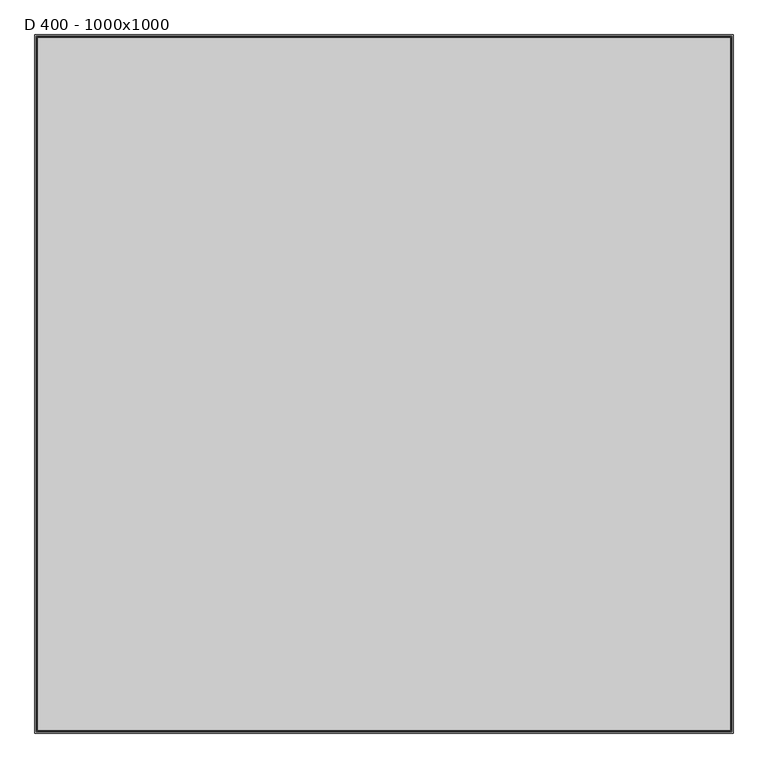
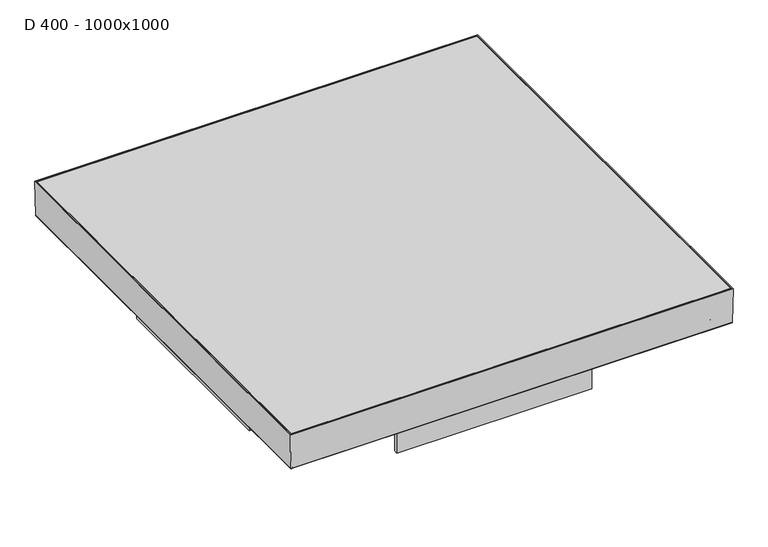
"""IFC4 building model written with IfcOpenShell, lengths in millimetres: proxy geometry, D 400 - 1000x1000."""

from ifc_helpers import new_model, si_unit, frame, origin, place, context, project, spatial, polyline, ellipse_curve, outline, extrude, faceted_brep, source, transform, mapped, element, save
from ifc_brep_helpers import plane_surface, cylinder_surface, revolved_surface, advanced_brep


def d_400_1000x1000_d10640b0(model_context):
    return source(origin(), model_context, "Body", "SolidModel", [
        extrude(outline(polyline([(563.9987812, 563.9987812), (563.9987812, -563.9987812), (-563.9987812, -563.9987812), (-563.9987812, 563.9987812), (563.9987812, 563.9987812)])), frame((0.0, 0.0, -5.0), z_axis=(0.0, 0.0, 1.0), x_axis=(1.0, 0.0, 0.0)), (0.0, 0.0, 1.0), 5.0),
        faceted_brep([(559.8786863, 559.8786863, -77.9987834), (-559.8786863, 559.8786863, -77.9987834), (-559.8786863, -559.8786863, -77.9987834), (559.8786863, -559.8786863, -77.9987834), (561.8100297, 561.8100297, -80.0), (561.8100297, -561.8100297, -80.0), (-561.8100297, -561.8100297, -80.0), (-561.8100297, 561.8100297, -80.0), (566.0, 566.0, 0.0), (566.0, -566.0, 0.0), (-566.0, -566.0, 0.0), (-566.0, 566.0, 0.0), (563.9987812, -563.9987812, 0.0), (563.9987812, 563.9987812, 0.0), (-563.9987812, -563.9987812, 0.0), (-563.9987812, 563.9987812, 0.0)], [[[0, 1, 2, 3]], [[4, 5, 6, 7]], [[4, 8, 9, 5]], [[5, 9, 10, 6]], [[6, 10, 11, 7]], [[8, 4, 7, 11]], [[0, 3, 12, 13]], [[3, 2, 14, 12]], [[2, 1, 15, 14]], [[1, 0, 13, 15]], [[9, 8, 11, 10], [13, 12, 14, 15]]]),
        extrude(outline(polyline([(-490.0, 250.0), (-480.0, 250.0), (-480.0, 5.0), (480.0, 5.0), (480.0, 250.0), (490.0, 250.0), (490.0, -250.0), (480.0, -250.0), (480.0, -5.0), (-480.0, -5.0), (-480.0, -250.0), (-490.0, -250.0), (-490.0, 250.0)])), frame((0.0, 0.0, -207.0), z_axis=(0.0, 0.0, 1.0), x_axis=(1.0, 0.0, 0.0)), (0.0, 0.0, 1.0), 103.0),
        extrude(outline(polyline([(250.0, 490.0), (250.0, 480.0), (5.0, 480.0), (5.0, -480.0), (250.0, -480.0), (250.0, -490.0), (-250.0, -490.0), (-250.0, -480.0), (-5.0, -480.0), (-5.0, 480.0), (-250.0, 480.0), (-250.0, 490.0), (250.0, 490.0)])), frame((0.0, 0.0, -207.0), z_axis=(0.0, 0.0, 1.0), x_axis=(1.0, 0.0, 0.0)), (0.0, 0.0, 1.0), 103.0),
        advanced_brep(
        [(565.0603915, 565.0603915, -93.0), (566.3814929, 566.3814929, -91.7973005), (566.3814929, -566.3814929, -91.7973005), (565.0603915, -565.0603915, -93.0), (532.491936, 532.491936, -93.5068236), (533.3495131, 533.3495131, -93.0), (533.3495131, -533.3495131, -93.0), (532.491936, -532.491936, -93.5068236), (522.5430631, 522.5430631, -103.4568727), (522.5430631, -522.5430631, -103.4568727), (521.5631773, 521.5631773, -104.0), (521.5631773, -521.5631773, -104.0), (500.0, 500.0, -102.0), (502.0, 502.0, -104.0), (502.0, -502.0, -104.0), (500.0, -500.0, -102.0), (500.0, 500.0, -91.0), (500.0, -500.0, -91.0), (502.0, 502.0, -91.0), (502.0, -502.0, -91.0), (502.0, -502.0, -100.1412819), (502.0, 502.0, -100.1412819), (503.5596496, 503.5596496, -102.0), (503.5596496, -503.5596496, -102.0), (521.6238392, 521.6238392, -101.5476755), (520.8710448, 520.8710448, -102.0), (520.8710448, -520.8710448, -102.0), (521.6238392, -521.6238392, -101.5476755), (531.7056833, 531.7056833, -91.4646396), (531.7056833, -531.7056833, -91.4646396), (532.6109139, 532.6109139, -90.9987834), (532.6109139, -532.6109139, -90.9987834), (564.414412, 564.414412, -89.9085487), (563.2898686, 563.2898686, -90.9987834), (563.2898686, -563.2898686, -90.9987834), (564.414412, -564.414412, -89.9085487), (565.9987388, 565.9987388, 0.0), (565.9987388, -565.9987388, 0.0), (567.9991024, 567.9991024, 0.0), (567.9991024, -567.9991024, 0.0), (-566.3814929, -566.3814929, -91.7973005), (-565.0603915, -565.0603915, -93.0), (-533.3495131, -533.3495131, -93.0), (-532.491936, -532.491936, -93.5068236), (-522.5430631, -522.5430631, -103.4568727), (-521.5631773, -521.5631773, -104.0), (-502.0, -502.0, -104.0), (-500.0, -500.0, -102.0), (-500.0, -500.0, -91.0), (-502.0, -502.0, -91.0), (-502.0, -502.0, -100.1412819), (-503.5596496, -503.5596496, -102.0), (-520.8710448, -520.8710448, -102.0), (-521.6238392, -521.6238392, -101.5476755), (-531.7056833, -531.7056833, -91.4646396), (-532.6109139, -532.6109139, -90.9987834), (-563.2898686, -563.2898686, -90.9987834), (-564.414412, -564.414412, -89.9085487), (-565.9987388, -565.9987388, 0.0), (-567.9991024, -567.9991024, 0.0), (-566.3814929, 566.3814929, -91.7973005), (-565.0603915, 565.0603915, -93.0), (-533.3495131, 533.3495131, -93.0), (-532.491936, 532.491936, -93.5068236), (-522.5430631, 522.5430631, -103.4568727), (-521.5631773, 521.5631773, -104.0), (-502.0, 502.0, -104.0), (-500.0, 500.0, -102.0), (-500.0, 500.0, -91.0), (-502.0, 502.0, -91.0), (-502.0, 502.0, -100.1412819), (-503.5596496, 503.5596496, -102.0), (-520.8710448, 520.8710448, -102.0), (-521.6238392, 521.6238392, -101.5476755), (-531.7056833, 531.7056833, -91.4646396), (-532.6109139, 532.6109139, -90.9987834), (-563.2898686, 563.2898686, -90.9987834), (-564.414412, 564.414412, -89.9085487), (-565.9987388, 565.9987388, 0.0), (-567.9991024, 567.9991024, 0.0)],
        [
            (0, 1, ellipse_curve(frame((565.0603915, 565.0603915, -91.6730704), z_axis=(0.7071067811865475, -0.7071067811865475, 0.0), x_axis=(0.7071067811865474, 0.7071067811865476, 0.0)), 1.8765619, 1.3269296)),
            (1, 2),
            (2, 3, ellipse_curve(frame((565.0603915, -565.0603915, -91.6730704), z_axis=(0.7071067811865475, 0.7071067811865475, 0.0), x_axis=(-0.7071067811865474, 0.7071067811865476, 0.0)), 1.8765619, 1.3269296)),
            (3, 0),
            (4, 5, ellipse_curve(frame((533.9062332, 533.9062332, -94.9209536), z_axis=(-0.7071067811865475, 0.7071067811865475, 0.0), x_axis=(-0.7071067811865474, -0.7071067811865476, 0.0)), 2.8284271, 2.0)),
            (5, 6),
            (6, 7, ellipse_curve(frame((533.9062332, -533.9062332, -94.9209536), z_axis=(-0.7071067811865475, -0.7071067811865475, 0.0), x_axis=(0.7071067811865474, -0.7071067811865476, 0.0)), 2.8284271, 2.0)),
            (7, 4),
            (8, 4),
            (7, 9),
            (9, 8),
            (10, 8, ellipse_curve(frame((520.0169048, 520.0169048, -100.0547885), z_axis=(0.7071067811865475, -0.7071067811865475, 0.0), x_axis=(0.7071067811865474, 0.7071067811865476, 0.0)), 5.9926042, 4.237411)),
            (9, 11, ellipse_curve(frame((520.0169048, -520.0169048, -100.0547885), z_axis=(0.7071067811865475, 0.7071067811865475, 0.0), x_axis=(-0.7071067811865474, 0.7071067811865476, 0.0)), 5.9926042, 4.237411)),
            (11, 10),
            (12, 13, ellipse_curve(frame((503.5491099, 503.5491099, -100.4508901), z_axis=(0.7071067811865475, -0.7071067811865475, 0.0), x_axis=(0.7071067811865474, 0.7071067811865476, 0.0)), 5.4764811, 3.872457)),
            (13, 14),
            (14, 15, ellipse_curve(frame((503.5491099, -503.5491099, -100.4508901), z_axis=(0.7071067811865475, 0.7071067811865475, 0.0), x_axis=(-0.7071067811865474, 0.7071067811865476, 0.0)), 5.4764811, 3.872457)),
            (15, 12),
            (16, 12),
            (15, 17),
            (17, 16),
            (18, 19),
            (19, 20),
            (20, 21),
            (21, 18),
            (22, 21, ellipse_curve(frame((503.9978512, 503.9978512, -100.0485955), z_axis=(-0.7071067811865475, 0.7071067811865475, 0.0), x_axis=(-0.7071067811865474, -0.7071067811865476, 0.0)), 2.8284271, 2.0)),
            (20, 23, ellipse_curve(frame((503.9978512, -503.9978512, -100.0485955), z_axis=(-0.7071067811865475, -0.7071067811865475, 0.0), x_axis=(0.7071067811865474, -0.7071067811865476, 0.0)), 2.8284271, 2.0)),
            (23, 22),
            (24, 25, ellipse_curve(frame((520.2425005, 520.2425005, -100.1013342), z_axis=(-0.7071067811865475, 0.7071067811865475, 0.0), x_axis=(-0.7071067811865474, -0.7071067811865476, 0.0)), 2.8284271, 2.0)),
            (25, 26),
            (26, 27, ellipse_curve(frame((520.2425005, -520.2425005, -100.1013342), z_axis=(-0.7071067811865475, -0.7071067811865475, 0.0), x_axis=(0.7071067811865474, -0.7071067811865476, 0.0)), 2.8284271, 2.0)),
            (27, 24),
            (28, 24),
            (27, 29),
            (29, 28),
            (30, 28, ellipse_curve(frame((532.9486156, 532.9486156, -92.7674195), z_axis=(0.7071067811865475, -0.7071067811865475, 0.0), x_axis=(0.7071067811865474, 0.7071067811865476, 0.0)), 2.5464155, 1.8005877)),
            (29, 31, ellipse_curve(frame((532.9486156, -532.9486156, -92.7674195), z_axis=(0.7071067811865475, 0.7071067811865475, 0.0), x_axis=(-0.7071067811865474, 0.7071067811865476, 0.0)), 2.5464155, 1.8005877)),
            (31, 30),
            (32, 33, ellipse_curve(frame((563.125281, 563.125281, -89.7039331), z_axis=(-0.7071067811865475, 0.7071067811865475, 0.0), x_axis=(-0.7071067811865474, -0.7071067811865476, 0.0)), 1.8459287, 1.3052687)),
            (33, 34),
            (34, 35, ellipse_curve(frame((563.125281, -563.125281, -89.7039331), z_axis=(-0.7071067811865475, -0.7071067811865475, 0.0), x_axis=(0.7071067811865474, -0.7071067811865476, 0.0)), 1.8459287, 1.3052687)),
            (35, 32),
            (36, 32),
            (35, 37),
            (37, 36),
            (1, 38),
            (38, 39),
            (39, 2),
            (2, 40),
            (40, 41, ellipse_curve(frame((-565.0603915, -565.0603915, -91.6730704), z_axis=(0.7071067811865475, -0.7071067811865475, 0.0), x_axis=(0.7071067811865476, 0.7071067811865474, 0.0)), 1.8765619, 1.3269296)),
            (41, 3),
            (6, 42),
            (42, 43, ellipse_curve(frame((-533.9062332, -533.9062332, -94.9209536), z_axis=(-0.7071067811865475, 0.7071067811865475, 0.0), x_axis=(-0.7071067811865476, -0.7071067811865474, 0.0)), 2.8284271, 2.0)),
            (43, 7),
            (43, 44),
            (44, 9),
            (44, 45, ellipse_curve(frame((-520.0169048, -520.0169048, -100.0547885), z_axis=(0.7071067811865475, -0.7071067811865475, 0.0), x_axis=(0.7071067811865476, 0.7071067811865474, 0.0)), 5.9926042, 4.237411)),
            (45, 11),
            (14, 46),
            (46, 47, ellipse_curve(frame((-503.5491099, -503.5491099, -100.4508901), z_axis=(0.7071067811865475, -0.7071067811865475, 0.0), x_axis=(0.7071067811865476, 0.7071067811865474, 0.0)), 5.4764811, 3.872457)),
            (47, 15),
            (47, 48),
            (48, 17),
            (19, 49),
            (49, 50),
            (50, 20),
            (50, 51, ellipse_curve(frame((-503.9978512, -503.9978512, -100.0485955), z_axis=(-0.7071067811865475, 0.7071067811865475, 0.0), x_axis=(-0.7071067811865476, -0.7071067811865474, 0.0)), 2.8284271, 2.0)),
            (51, 23),
            (26, 52),
            (52, 53, ellipse_curve(frame((-520.2425005, -520.2425005, -100.1013342), z_axis=(-0.7071067811865475, 0.7071067811865475, 0.0), x_axis=(-0.7071067811865476, -0.7071067811865474, 0.0)), 2.8284271, 2.0)),
            (53, 27),
            (53, 54),
            (54, 29),
            (54, 55, ellipse_curve(frame((-532.9486156, -532.9486156, -92.7674195), z_axis=(0.7071067811865475, -0.7071067811865475, 0.0), x_axis=(0.7071067811865476, 0.7071067811865474, 0.0)), 2.5464155, 1.8005877)),
            (55, 31),
            (34, 56),
            (56, 57, ellipse_curve(frame((-563.125281, -563.125281, -89.7039331), z_axis=(-0.7071067811865475, 0.7071067811865475, 0.0), x_axis=(-0.7071067811865476, -0.7071067811865474, 0.0)), 1.8459287, 1.3052687)),
            (57, 35),
            (57, 58),
            (58, 37),
            (39, 59),
            (59, 40),
            (40, 60),
            (60, 61, ellipse_curve(frame((-565.0603915, 565.0603915, -91.6730704), z_axis=(-0.7071067811865475, -0.7071067811865475, 0.0), x_axis=(0.7071067811865474, -0.7071067811865476, 0.0)), 1.8765619, 1.3269296)),
            (61, 41),
            (42, 62),
            (62, 63, ellipse_curve(frame((-533.9062332, 533.9062332, -94.9209536), z_axis=(0.7071067811865475, 0.7071067811865475, 0.0), x_axis=(-0.7071067811865474, 0.7071067811865476, 0.0)), 2.8284271, 2.0)),
            (63, 43),
            (63, 64),
            (64, 44),
            (64, 65, ellipse_curve(frame((-520.0169048, 520.0169048, -100.0547885), z_axis=(-0.7071067811865475, -0.7071067811865475, 0.0), x_axis=(0.7071067811865474, -0.7071067811865476, 0.0)), 5.9926042, 4.237411)),
            (65, 45),
            (46, 66),
            (66, 67, ellipse_curve(frame((-503.5491099, 503.5491099, -100.4508901), z_axis=(-0.7071067811865475, -0.7071067811865475, 0.0), x_axis=(0.7071067811865474, -0.7071067811865476, 0.0)), 5.4764811, 3.872457)),
            (67, 47),
            (67, 68),
            (68, 48),
            (49, 69),
            (69, 70),
            (70, 50),
            (70, 71, ellipse_curve(frame((-503.9978512, 503.9978512, -100.0485955), z_axis=(0.7071067811865475, 0.7071067811865475, 0.0), x_axis=(-0.7071067811865474, 0.7071067811865476, 0.0)), 2.8284271, 2.0)),
            (71, 51),
            (52, 72),
            (72, 73, ellipse_curve(frame((-520.2425005, 520.2425005, -100.1013342), z_axis=(0.7071067811865475, 0.7071067811865475, 0.0), x_axis=(-0.7071067811865474, 0.7071067811865476, 0.0)), 2.8284271, 2.0)),
            (73, 53),
            (73, 74),
            (74, 54),
            (74, 75, ellipse_curve(frame((-532.9486156, 532.9486156, -92.7674195), z_axis=(-0.7071067811865475, -0.7071067811865475, 0.0), x_axis=(0.7071067811865474, -0.7071067811865476, 0.0)), 2.5464155, 1.8005877)),
            (75, 55),
            (56, 76),
            (76, 77, ellipse_curve(frame((-563.125281, 563.125281, -89.7039331), z_axis=(0.7071067811865475, 0.7071067811865475, 0.0), x_axis=(-0.7071067811865474, 0.7071067811865476, 0.0)), 1.8459287, 1.3052687)),
            (77, 57),
            (77, 78),
            (78, 58),
            (59, 79),
            (79, 60),
            (60, 1),
            (0, 61),
            (5, 62),
            (4, 63),
            (8, 64),
            (10, 65),
            (13, 66),
            (12, 67),
            (16, 68),
            (18, 69),
            (21, 70),
            (22, 71),
            (25, 72),
            (24, 73),
            (28, 74),
            (30, 75),
            (33, 76),
            (32, 77),
            (36, 78),
            (38, 79),
        ],
        [
            cylinder_surface(frame((565.0603915, 568.0, -91.6730704), z_axis=(0.0, 1.0, 0.0), x_axis=(1.0, 0.0, 0.0)), 1.3269296),
            revolved_surface(polyline([(535.9062332, -535.9062331825016, -94.9209536), (535.9062332, 535.9062331825018, -94.9209536)]), (533.9062332, 568.0, -94.9209536), (0.0, -1.0, 0.0)),
            plane_surface(frame((532.491936, 532.491936, -93.5068236), z_axis=(0.7071485734026395, 0.0, -0.7070649865002593), x_axis=(0.0, -1.0, 0.0))),
            cylinder_surface(frame((520.0169048, 568.0, -100.0547885), z_axis=(0.0, 1.0, 0.0), x_axis=(1.0, 0.0, 0.0)), 4.237411),
            cylinder_surface(frame((503.5491099, 568.0, -100.4508901), z_axis=(0.0, 1.0, 0.0), x_axis=(1.0, 0.0, 0.0)), 3.872457),
            plane_surface(frame((500.0, 500.0, -102.0), z_axis=(-1.0, 0.0, 0.0), x_axis=(0.0, -1.0, 0.0))),
            plane_surface(frame((502.0, 502.0, -93.0), z_axis=(1.0, 0.0, 0.0), x_axis=(0.0, -1.0, 0.0))),
            revolved_surface(polyline([(505.9978512, -505.9978511825018, -100.0485955), (505.9978512, 505.9978511825018, -100.0485955)]), (503.9978512, 568.0, -100.0485955), (0.0, -1.0, 0.0)),
            revolved_surface(polyline([(522.2425005, -522.2425004825018, -100.1013342), (522.2425005, 522.2425004825018, -100.1013342)]), (520.2425005, 568.0, -100.1013342), (0.0, -1.0, 0.0)),
            plane_surface(frame((521.6238392, 521.6238392, -101.5476755), z_axis=(-0.7071485734026386, 0.0, 0.7070649865002602), x_axis=(0.0, -1.0, 0.0))),
            cylinder_surface(frame((532.9486156, 568.0, -92.7674195), z_axis=(0.0, 1.0, 0.0), x_axis=(1.0, 0.0, 0.0)), 1.8005877),
            revolved_surface(polyline([(564.4305497, -564.430549701357, -89.7039331), (564.4305497, 564.4305497013569, -89.7039331)]), (563.125281, 568.0, -89.7039331), (0.0, -1.0, 0.0)),
            plane_surface(frame((564.414412, 564.414412, -89.9085487), z_axis=(-0.9998447768717041, 0.0, 0.017618801388635606), x_axis=(0.0, -1.0, 0.0))),
            plane_surface(frame((567.9991024, 567.9991024, 0.0), z_axis=(0.9998447768717043, 0.0, -0.017618801388635814), x_axis=(0.0, -1.0, 0.0))),
            cylinder_surface(frame((568.0, -565.0603915, -91.6730704), z_axis=(1.0, 0.0, 0.0), x_axis=(0.0, -1.0, 0.0)), 1.3269296),
            revolved_surface(polyline([(-535.9062331825016, -535.9062332, -94.9209536), (535.9062331825018, -535.9062332, -94.9209536)]), (568.0, -533.9062332, -94.9209536), (-1.0, 0.0, 0.0)),
            plane_surface(frame((532.491936, -532.491936, -93.5068236), z_axis=(0.0, -0.7071485734026395, -0.7070649865002593), x_axis=(-1.0, 0.0, 0.0))),
            cylinder_surface(frame((568.0, -520.0169048, -100.0547885), z_axis=(1.0, 0.0, 0.0), x_axis=(0.0, -1.0, 0.0)), 4.237411),
            cylinder_surface(frame((568.0, -503.5491099, -100.4508901), z_axis=(1.0, 0.0, 0.0), x_axis=(0.0, -1.0, 0.0)), 3.872457),
            plane_surface(frame((500.0, -500.0, -102.0), z_axis=(0.0, 1.0, 0.0), x_axis=(-1.0, 0.0, 0.0))),
            plane_surface(frame((502.0, -502.0, -93.0), z_axis=(0.0, -1.0, 0.0), x_axis=(-1.0, 0.0, 0.0))),
            revolved_surface(polyline([(-505.9978511825018, -505.9978512, -100.0485955), (505.9978511825018, -505.9978512, -100.0485955)]), (568.0, -503.9978512, -100.0485955), (-1.0, 0.0, 0.0)),
            revolved_surface(polyline([(-522.2425004825018, -522.2425005, -100.1013342), (522.2425004825018, -522.2425005, -100.1013342)]), (568.0, -520.2425005, -100.1013342), (-1.0, 0.0, 0.0)),
            plane_surface(frame((521.6238392, -521.6238392, -101.5476755), z_axis=(0.0, 0.7071485734026386, 0.7070649865002602), x_axis=(-1.0, 0.0, 0.0))),
            cylinder_surface(frame((568.0, -532.9486156, -92.7674195), z_axis=(1.0, 0.0, 0.0), x_axis=(0.0, -1.0, 0.0)), 1.8005877),
            revolved_surface(polyline([(-564.430549701357, -564.4305497, -89.7039331), (564.4305497013569, -564.4305497, -89.7039331)]), (568.0, -563.125281, -89.7039331), (-1.0, 0.0, 0.0)),
            plane_surface(frame((564.414412, -564.414412, -89.9085487), z_axis=(0.0, 0.9998447768717041, 0.017618801388635606), x_axis=(-1.0, 0.0, 0.0))),
            plane_surface(frame((567.9991024, -567.9991024, 0.0), z_axis=(0.0, -0.9998447768717043, -0.017618801388635814), x_axis=(-1.0, 0.0, 0.0))),
            cylinder_surface(frame((-565.0603915, -568.0, -91.6730704), z_axis=(0.0, -1.0, 0.0), x_axis=(-1.0, 0.0, 0.0)), 1.3269296),
            revolved_surface(polyline([(-535.9062332, 535.9062331825016, -94.9209536), (-535.9062332, -535.9062331825018, -94.9209536)]), (-533.9062332, -568.0, -94.9209536), (0.0, 1.0, 0.0)),
            plane_surface(frame((-532.491936, -532.491936, -93.5068236), z_axis=(-0.7071485734026395, 0.0, -0.7070649865002593), x_axis=(0.0, 1.0, 0.0))),
            cylinder_surface(frame((-520.0169048, -568.0, -100.0547885), z_axis=(0.0, -1.0, 0.0), x_axis=(-1.0, 0.0, 0.0)), 4.237411),
            cylinder_surface(frame((-503.5491099, -568.0, -100.4508901), z_axis=(0.0, -1.0, 0.0), x_axis=(-1.0, 0.0, 0.0)), 3.872457),
            plane_surface(frame((-500.0, -500.0, -102.0), z_axis=(1.0, 0.0, 0.0), x_axis=(0.0, 1.0, 0.0))),
            plane_surface(frame((-502.0, -502.0, -93.0), z_axis=(-1.0, 0.0, 0.0), x_axis=(0.0, 1.0, 0.0))),
            revolved_surface(polyline([(-505.9978512, 505.9978511825018, -100.0485955), (-505.9978512, -505.9978511825018, -100.0485955)]), (-503.9978512, -568.0, -100.0485955), (0.0, 1.0, 0.0)),
            revolved_surface(polyline([(-522.2425005, 522.2425004825018, -100.1013342), (-522.2425005, -522.2425004825018, -100.1013342)]), (-520.2425005, -568.0, -100.1013342), (0.0, 1.0, 0.0)),
            plane_surface(frame((-521.6238392, -521.6238392, -101.5476755), z_axis=(0.7071485734026386, 0.0, 0.7070649865002602), x_axis=(0.0, 1.0, 0.0))),
            cylinder_surface(frame((-532.9486156, -568.0, -92.7674195), z_axis=(0.0, -1.0, 0.0), x_axis=(-1.0, 0.0, 0.0)), 1.8005877),
            revolved_surface(polyline([(-564.4305497, 564.430549701357, -89.7039331), (-564.4305497, -564.4305497013569, -89.7039331)]), (-563.125281, -568.0, -89.7039331), (0.0, 1.0, 0.0)),
            plane_surface(frame((-564.414412, -564.414412, -89.9085487), z_axis=(0.9998447768717041, 0.0, 0.017618801388635606), x_axis=(0.0, 1.0, 0.0))),
            plane_surface(frame((-567.9991024, -567.9991024, 0.0), z_axis=(-0.9998447768717043, 0.0, -0.017618801388635814), x_axis=(0.0, 1.0, 0.0))),
            cylinder_surface(frame((-568.0, 565.0603915, -91.6730704), z_axis=(-1.0, 0.0, 0.0), x_axis=(0.0, 1.0, 0.0)), 1.3269296),
            plane_surface(frame((-565.0603915, 565.0603915, -93.0), z_axis=(0.0, 0.0, -1.0), x_axis=(1.0, 0.0, 0.0))),
            revolved_surface(polyline([(535.9062331825016, 535.9062332, -94.9209536), (-535.9062331825018, 535.9062332, -94.9209536)]), (-568.0, 533.9062332, -94.9209536), (1.0, 0.0, 0.0)),
            plane_surface(frame((-532.491936, 532.491936, -93.5068236), z_axis=(0.0, 0.7071485734026395, -0.7070649865002593), x_axis=(1.0, 0.0, 0.0))),
            cylinder_surface(frame((-568.0, 520.0169048, -100.0547885), z_axis=(-1.0, 0.0, 0.0), x_axis=(0.0, 1.0, 0.0)), 4.237411),
            plane_surface(frame((-521.5631773, 521.5631773, -104.0), z_axis=(0.0, 0.0, -1.0), x_axis=(1.0, 0.0, 0.0))),
            cylinder_surface(frame((-568.0, 503.5491099, -100.4508901), z_axis=(-1.0, 0.0, 0.0), x_axis=(0.0, 1.0, 0.0)), 3.872457),
            plane_surface(frame((-500.0, 500.0, -102.0), z_axis=(0.0, -1.0, 0.0), x_axis=(1.0, 0.0, 0.0))),
            plane_surface(frame((-500.0, 500.0, -91.0), z_axis=(0.0, 0.0, 1.0), x_axis=(1.0, 0.0, 0.0))),
            plane_surface(frame((-502.0, 502.0, -93.0), z_axis=(0.0, 1.0, 0.0), x_axis=(1.0, 0.0, 0.0))),
            revolved_surface(polyline([(505.9978511825018, 505.9978512, -100.0485955), (-505.9978511825018, 505.9978512, -100.0485955)]), (-568.0, 503.9978512, -100.0485955), (1.0, 0.0, 0.0)),
            plane_surface(frame((-503.5596496, 503.5596496, -102.0), z_axis=(0.0, 0.0, 1.0), x_axis=(1.0, 0.0, 0.0))),
            revolved_surface(polyline([(522.2425004825018, 522.2425005, -100.1013342), (-522.2425004825018, 522.2425005, -100.1013342)]), (-568.0, 520.2425005, -100.1013342), (1.0, 0.0, 0.0)),
            plane_surface(frame((-521.6238392, 521.6238392, -101.5476755), z_axis=(0.0, -0.7071485734026386, 0.7070649865002602), x_axis=(1.0, 0.0, 0.0))),
            cylinder_surface(frame((-568.0, 532.9486156, -92.7674195), z_axis=(-1.0, 0.0, 0.0), x_axis=(0.0, 1.0, 0.0)), 1.8005877),
            plane_surface(frame((-532.6109139, 532.6109139, -90.9987834), z_axis=(0.0, 0.0, 1.0), x_axis=(1.0, 0.0, 0.0))),
            revolved_surface(polyline([(564.430549701357, 564.4305497, -89.7039331), (-564.4305497013569, 564.4305497, -89.7039331)]), (-568.0, 563.125281, -89.7039331), (1.0, 0.0, 0.0)),
            plane_surface(frame((-564.414412, 564.414412, -89.9085487), z_axis=(0.0, -0.9998447768717041, 0.017618801388635606), x_axis=(1.0, 0.0, 0.0))),
            plane_surface(frame((-565.9987388, 565.9987388, 0.0), z_axis=(0.0, 0.0, 1.0), x_axis=(1.0, 0.0, 0.0))),
            plane_surface(frame((-567.9991024, 567.9991024, 0.0), z_axis=(0.0, 0.9998447768717043, -0.017618801388635814), x_axis=(1.0, 0.0, 0.0))),
        ],
        [
            (0, [[1, 2, 3, 4]]),
            (1, [[5, 6, 7, 8]]),
            (2, [[9, -8, 10, 11]]),
            (3, [[12, -11, 13, 14]]),
            (4, [[15, 16, 17, 18]]),
            (5, [[19, -18, 20, 21]]),
            (6, [[22, 23, 24, 25]]),
            (7, [[26, -24, 27, 28]]),
            (8, [[29, 30, 31, 32]]),
            (9, [[33, -32, 34, 35]]),
            (10, [[36, -35, 37, 38]]),
            (11, [[39, 40, 41, 42]]),
            (12, [[43, -42, 44, 45]]),
            (13, [[46, 47, 48, -2]]),
            (14, [[-3, 49, 50, 51]]),
            (15, [[-7, 52, 53, 54]]),
            (16, [[-10, -54, 55, 56]]),
            (17, [[-13, -56, 57, 58]]),
            (18, [[-17, 59, 60, 61]]),
            (19, [[-20, -61, 62, 63]]),
            (20, [[-23, 64, 65, 66]]),
            (21, [[-27, -66, 67, 68]]),
            (22, [[-31, 69, 70, 71]]),
            (23, [[-34, -71, 72, 73]]),
            (24, [[-37, -73, 74, 75]]),
            (25, [[-41, 76, 77, 78]]),
            (26, [[-44, -78, 79, 80]]),
            (27, [[-48, 81, 82, -49]]),
            (28, [[-50, 83, 84, 85]]),
            (29, [[-53, 86, 87, 88]]),
            (30, [[-55, -88, 89, 90]]),
            (31, [[-57, -90, 91, 92]]),
            (32, [[-60, 93, 94, 95]]),
            (33, [[-62, -95, 96, 97]]),
            (34, [[-65, 98, 99, 100]]),
            (35, [[-67, -100, 101, 102]]),
            (36, [[-70, 103, 104, 105]]),
            (37, [[-72, -105, 106, 107]]),
            (38, [[-74, -107, 108, 109]]),
            (39, [[-77, 110, 111, 112]]),
            (40, [[-79, -112, 113, 114]]),
            (41, [[-82, 115, 116, -83]]),
            (42, [[-84, 117, -1, 118]]),
            (43, [[-51, -85, -118, -4], [119, -86, -52, -6]]),
            (44, [[-87, -119, -5, 120]]),
            (45, [[-89, -120, -9, 121]]),
            (46, [[-91, -121, -12, 122]]),
            (47, [[-58, -92, -122, -14], [123, -93, -59, -16]]),
            (48, [[-94, -123, -15, 124]]),
            (49, [[-96, -124, -19, 125]]),
            (50, [[126, -98, -64, -22], [-63, -97, -125, -21]]),
            (51, [[-99, -126, -25, 127]]),
            (52, [[-101, -127, -26, 128]]),
            (53, [[129, -103, -69, -30], [-68, -102, -128, -28]]),
            (54, [[-104, -129, -29, 130]]),
            (55, [[-106, -130, -33, 131]]),
            (56, [[-108, -131, -36, 132]]),
            (57, [[133, -110, -76, -40], [-75, -109, -132, -38]]),
            (58, [[-111, -133, -39, 134]]),
            (59, [[-113, -134, -43, 135]]),
            (60, [[136, -115, -81, -47], [-80, -114, -135, -45]]),
            (61, [[-116, -136, -46, -117]]),
        ],
    ),
    ])


if __name__ == "__main__":
    model = new_model("IFC4")
    model_context = context("Model", 3, world=origin())
    ifc_project = project(units=[si_unit("LENGTHUNIT", "METRE", prefix="MILLI")], contexts=[model_context])
    site = spatial("IfcSite", under=ifc_project)
    building = spatial("IfcBuilding", under=site)
    placement = place(None, origin())
    d_400_1000x1000_shape = d_400_1000x1000_d10640b0(model_context)
    element("IfcBuildingElementProxy", 1, Name="D 400 - 1000x1000", ObjectType="D 400 - 1000x1000", at=placement, inside=building, context=model_context, shape_type="MappedRepresentation", body=[
        mapped(d_400_1000x1000_shape, transform((0.0, 0.0, 0.0), x_axis=(1.0, 0.0, 0.0), y_axis=(0.0, 1.0, 0.0), z_axis=(0.0, 0.0, 1.0))),
    ])
    save(model, "model.ifc")
